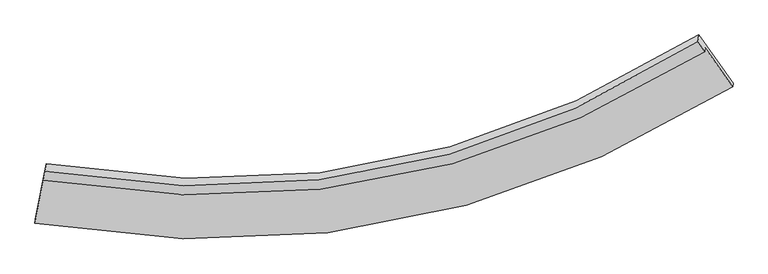
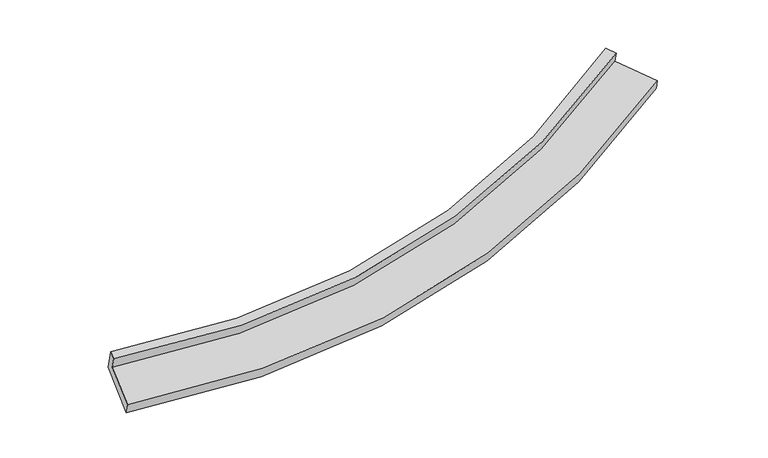
"""IFC4 building model written with IfcOpenShell, lengths in millimetres: proxy geometry."""

from ifc_helpers import new_model, si_unit, frame, origin, place, context, project, spatial, source, transform, mapped, element, save
from ifc_brep_helpers import plane_surface, spline_curve, spline_surface, advanced_brep


def generic_models_ba487847(model_context):
    return source(origin(), model_context, "Body", "AdvancedBrep", [
        advanced_brep(
        [(-4453.159429, -2099.4523553, 1821.1991534), (-4444.7079075, -2042.8525218, 1633.9967212), (4874.9528413, -236.8299308, 2611.3803924), (4867.2955853, -288.1105684, 2780.9897267), (-4428.9362317, -1972.1255984, 1860.7894303), (4771.9780887, -153.545024, 2817.3717836), (-4413.8751868, -1871.2617924, 1527.1850959), (4786.8855932, -53.7094776, 2487.1683899), (-4562.7959109, -2652.2233264, 1253.6586731), (5268.5257986, -733.6704365, 2303.3295151), (-4570.67227, -2704.9712979, 1428.1211746), (5261.2755501, -782.2253453, 2463.9235744)],
        [
            (0, 1),
            (1, 2, spline_curve(3, [(-4444.7079075, -2042.8525218, 1633.9967212), (-3108.206672508, -2282.112581306, 1629.526262219), (-1806.493227141, -2327.620548016, 1679.606785473), (1342.002604886, -1959.212178694, 1939.631402302), (3146.842742429, -1311.696681854, 2215.345435874), (4874.9528413, -236.8299308, 2611.3803924)], [4, 2, 4], [0.0, 12.842854592925782, 31.916374874476087])),
            (2, 3),
            (3, 0, spline_curve(3, [(4867.2955853, -288.1105684, 2780.9897267), (3139.492833956, -1360.9190145, 2378.146982557), (1334.681815754, -2008.239495949, 2101.787938428), (-1814.230855831, -2379.439442702, 1850.9963916), (-3116.238176154, -2335.89955781, 1807.425244505), (-4453.159429, -2099.4523553, 1821.1991534)], [4, 2, 4], [0.0, 19.073520281550305, 31.916374874476087])),
            (4, 0),
            (3, 5),
            (5, 4, spline_curve(3, [(4771.9780887, -153.545024, 2817.3717836), (3072.428836589, -1225.747216264, 2415.987882159), (1293.217559608, -1873.685491921, 2140.597787912), (-1817.298815013, -2247.967459381, 1890.60786109), (-3105.05897764, -2206.22270854, 1847.137171228), (-4428.9362317, -1972.1255984, 1860.7894303)], [4, 2, 4], [0.0, 18.961674239615306, 31.729219061079817])),
            (6, 4),
            (5, 7),
            (7, 6, spline_curve(3, [(4786.8855932, -53.7094776, 2487.1683899), (3087.724111598, -1123.314771741, 2077.19531676), (1308.687147863, -1770.085669627, 1797.94415142), (-1801.894726173, -2144.806289269, 1549.405057425), (-3089.778022463, -2103.886163234, 1508.661791241), (-4413.8751868, -1871.2617924, 1527.1850959)], [4, 2, 4], [0.0, 18.849918631341374, 31.542214573426527])),
            (8, 6),
            (7, 9),
            (9, 8, spline_curve(3, [(5268.5257986, -733.6704365, 2303.3295151), (3448.839743505, -1868.79679093, 1877.182585789), (1546.239301706, -2553.956432697, 1580.746302489), (-1776.190678305, -2947.512817794, 1301.75858205), (-3150.69747299, -2901.870805764, 1248.304584688), (-4562.7959109, -2652.2233264, 1253.6586731)], [4, 2, 4], [0.0, 19.489839153579204, 32.61301550456712])),
            (10, 8),
            (9, 11),
            (11, 10, spline_curve(3, [(5261.2755501, -782.2253453, 2463.9235744), (3441.269165705, -1919.496947843, 2044.871995654), (1538.465290258, -2606.018983901, 1752.941793113), (-1784.109495836, -3000.54513095, 1477.161537641), (-3158.621560135, -2954.938413372, 1423.824273426), (-4570.67227, -2704.9712979, 1428.1211746)], [4, 2, 4], [0.0, 20.129842096051338, 33.683954352309186])),
            (1, 10),
            (11, 2),
        ],
        [
            spline_surface(3, 3, [[(-4453.159429, -2099.4523553, 1821.1991534), (-3116.238176323, -2335.899557628, 1807.425244397), (-1814.230856012, -2379.439442907, 1850.996391504), (1334.681816023, -2008.239495645, 2101.78793857), (3139.492833771, -1360.919014734, 2378.146982541), (4867.2955853, -288.1105684, 2780.9897267)], [(-4450.342255143, -2080.585744114, 1758.79834265), (-3113.561008321, -2317.970565549, 1748.125583711), (-1811.651646375, -2362.166477921, 1793.866522841), (1337.122078949, -1991.897056675, 2047.735759763), (3141.942803331, -1344.511570442, 2323.879800371), (4869.848003966, -271.017022524, 2724.453281935)], [(-4447.525081357, -2061.719132986, 1696.39753195), (-3110.88384039, -2300.041573529, 1688.825923073), (-1809.072436728, -2344.893512958, 1736.736654214), (1339.562341885, -1975.554617729, 1993.683580992), (3144.392772893, -1328.104126177, 2269.612618196), (4872.400422634, -253.923476676, 2667.916837165)], [(-4444.7079075, -2042.8525218, 1633.9967212), (-3108.206672389, -2282.11258145, 1629.526262387), (-1806.493227091, -2327.620547972, 1679.606785552), (1342.002604811, -1959.21217876, 1939.631402185), (3146.842742453, -1311.696681885, 2215.345436027), (4874.9528413, -236.8299308, 2611.3803924)]], [4, 4], [4, 2, 4], [0.0, 0.567659339677068], [0.0, 12.842854592925782, 31.916374874476087]),
            spline_surface(3, 3, [[(-4428.9362317, -1972.1255984, 1860.7894303), (-3105.058977837, -2206.222708327, 1847.137171433), (-1817.29881483, -2247.967459254, 1890.607861236), (1293.217559336, -1873.685492109, 2140.597787695), (3072.428836497, -1225.747216356, 2415.987882309), (4771.9780887, -153.545024, 2817.3717836)], [(-4437.010630813, -2014.567850705, 1847.592671343), (-3108.785377345, -2249.448324766, 1833.899862431), (-1816.276161905, -2291.791453818, 1877.404037999), (1307.038978217, -1918.536826634, 2127.661171327), (3094.783502281, -1270.804482474, 2403.374249065), (4803.750587593, -198.400205458, 2805.244431312)], [(-4445.085029887, -2057.010102995, 1834.395912357), (-3112.511776815, -2292.673941189, 1820.6625534), (-1815.253508937, -2335.615448343, 1864.200214741), (1320.860397141, -1963.38816112, 2114.724554938), (3117.138167987, -1315.861748617, 2390.760615785), (4835.523086407, -243.255386942, 2793.117078988)], [(-4453.159429, -2099.4523553, 1821.1991534), (-3116.238176323, -2335.899557628, 1807.425244397), (-1814.230856012, -2379.439442907, 1850.996391504), (1334.681816023, -2008.239495645, 2101.78793857), (3139.492833771, -1360.919014734, 2378.146982541), (4867.2955853, -288.1105684, 2780.9897267)]], [4, 4], [4, 2, 4], [0.0, 0.46684087378298644], [0.0, 12.76754482146451, 31.729219061079817]),
            spline_surface(3, 3, [[(-4413.8751868, -1871.2617924, 1527.1850959), (-3089.778022613, -2103.886163053, 1508.661791361), (-1801.894726189, -2144.806289413, 1549.405057461), (1308.687147887, -1770.085669414, 1797.944151367), (3087.724111455, -1123.314771493, 2077.195316555), (4786.8855932, -53.7094776, 2487.1683899)], [(-4418.895535083, -1904.883061052, 1638.386540698), (-3094.871674337, -2137.998344797, 1621.48691805), (-1807.029422394, -2179.193346012, 1663.139325365), (1303.530618379, -1804.618943632, 1912.162030123), (3082.625686464, -1157.458919799, 2190.126171789), (4781.916425028, -86.987993085, 2597.236187783)], [(-4423.915883417, -1938.504329748, 1749.587985502), (-3099.965326112, -2172.110526583, 1734.312044745), (-1812.164118625, -2213.580402655, 1776.873593331), (1298.374088845, -1839.152217892, 2026.37990894), (3077.527261488, -1191.603068051, 2303.057027075), (4776.947256872, -120.266508515, 2707.303985717)], [(-4428.9362317, -1972.1255984, 1860.7894303), (-3105.058977837, -2206.222708327, 1847.137171433), (-1817.29881483, -2247.967459254, 1890.607861236), (1293.217559336, -1873.685492109, 2140.597787695), (3072.428836497, -1225.747216356, 2415.987882309), (4771.9780887, -153.545024, 2817.3717836)]], [4, 4], [4, 2, 4], [0.0, 1.1727319531963398], [0.0, 12.692295942085153, 31.542214573426527]),
            spline_surface(3, 3, [[(-4562.7959109, -2652.2233264, 1253.6586731), (-3150.697472786, -2901.87080578, 1248.304584746), (-1776.190678308, -2947.512817638, 1301.75858211), (1546.23930171, -2553.956432928, 1580.7463024), (3448.839743732, -1868.796791132, 1877.182585707), (5268.5257986, -733.6704365, 2303.3295151)], [(-4513.155669559, -2391.90281507, 1344.83414736), (-3130.39098942, -2635.875924874, 1335.090320277), (-1784.758694267, -2679.943974916, 1384.307407252), (1467.055250438, -2292.666178443, 1653.145585414), (3328.467866285, -1620.302784585, 1943.853496008), (5107.979063445, -507.016783532, 2364.609140052)], [(-4463.515428141, -2131.58230373, 1436.00962164), (-3110.084505978, -2369.881043958, 1421.87605583), (-1793.32671023, -2412.375132135, 1466.856232319), (1387.87119916, -2031.3759239, 1725.544868353), (3208.095988903, -1371.80877804, 2010.524406254), (4947.432328355, -280.363130568, 2425.888764948)], [(-4413.8751868, -1871.2617924, 1527.1850959), (-3089.778022613, -2103.886163053, 1508.661791361), (-1801.894726189, -2144.806289413, 1549.405057461), (1308.687147887, -1770.085669414, 1797.944151367), (3087.724111455, -1123.314771493, 2077.195316555), (4786.8855932, -53.7094776, 2487.1683899)]], [4, 4], [4, 2, 4], [0.0, 2.7473591179350088], [0.0, 13.123176350987919, 32.61301550456712]),
            spline_surface(3, 3, [[(-4570.67227, -2704.9712979, 1428.1211746), (-3158.621560121, -2954.938413237, 1423.824273606), (-1784.109495637, -3000.54513116, 1477.161537581), (1538.465289962, -2606.018983589, 1752.941793202), (3441.269165472, -1919.496948098, 2044.871995807), (5261.2755501, -782.2253453, 2463.9235744)], [(-4568.046816942, -2687.388640756, 1369.967007427), (-3155.980197651, -2937.249210774, 1365.317710646), (-1781.469889865, -2982.867693308, 1418.693885757), (1541.056627207, -2588.664800025, 1695.543296267), (3443.792691564, -1902.596895767, 1988.975525755), (5263.692299605, -766.040375691, 2410.392221282)], [(-4565.421363958, -2669.805983544, 1311.812840273), (-3153.338835256, -2919.560008242, 1306.811147706), (-1778.830284079, -2965.19025549, 1360.226233935), (1543.647964466, -2571.310616493, 1638.144799335), (3446.31621764, -1885.696843463, 1933.079055759), (5266.109049095, -749.855406109, 2356.860868218)], [(-4562.7959109, -2652.2233264, 1253.6586731), (-3150.697472786, -2901.87080578, 1248.304584746), (-1776.190678308, -2947.512817638, 1301.75858211), (1546.23930171, -2553.956432928, 1580.7463024), (3448.839743732, -1868.796791132, 1877.182585707), (5268.5257986, -733.6704365, 2303.3295151)]], [4, 4], [4, 2, 4], [0.0, 0.5933966010563059], [0.0, 13.554112256257849, 33.683954352309186]),
            spline_surface(3, 3, [[(-4444.7079075, -2042.8525218, 1633.9967212), (-3108.206672389, -2282.11258145, 1629.526262387), (-1806.493227091, -2327.620547972, 1679.606785552), (1342.002604811, -1959.21217876, 1939.631402185), (3146.842742453, -1311.696681885, 2215.345436027), (4874.9528413, -236.8299308, 2611.3803924)], [(-4486.69602836, -2263.558780502, 1565.371539023), (-3125.011634993, -2506.387858714, 1560.958932816), (-1799.03198326, -2551.928742369, 1612.125036229), (1407.490166541, -2174.814447037, 1877.401532525), (3244.984883455, -1514.296770632, 2158.520955957), (5003.727077562, -418.628402309, 2562.228119736)], [(-4528.68414914, -2484.265039198, 1496.746356777), (-3141.816597517, -2730.663135972, 1492.391603176), (-1791.570739468, -2776.236936763, 1544.643286904), (1472.977728232, -2390.416715312, 1815.171662862), (3343.12702447, -1716.896859351, 2101.696475878), (5132.501313838, -600.426873791, 2513.075847064)], [(-4570.67227, -2704.9712979, 1428.1211746), (-3158.621560121, -2954.938413237, 1423.824273606), (-1784.109495637, -3000.54513116, 1477.161537581), (1538.465289962, -2606.018983589, 1752.941793202), (3441.269165472, -1919.496948098, 2044.871995807), (5261.2755501, -782.2253453, 2463.9235744)]], [4, 4], [4, 2, 4], [0.0, 2.280498582510533], [0.0, 13.198495648349875, 32.80019499122194]),
            plane_surface(frame((4971.8189095, -374.6817971, 2577.3605637), z_axis=(0.824341430408192, 0.53048397120625, 0.19760557281064345), x_axis=(-0.564444150789418, 0.7968603568879211, 0.21544459208823902))),
            plane_surface(frame((-4479.0244893, -2223.814482, 1587.4917081), z_axis=(-0.9829486736195435, 0.18354377316842546, 0.011117030209439702), x_axis=(-0.04317414448705064, -0.2891372129520925, 0.95631358106748))),
        ],
        [
            (0, [[1, 2, 3, 4]]),
            (1, [[5, -4, 6, 7]]),
            (2, [[8, -7, 9, 10]]),
            (3, [[11, -10, 12, 13]]),
            (4, [[14, -13, 15, 16]]),
            (5, [[17, -16, 18, -2]]),
            (6, [[-12, -9, -6, -3, -18, -15]]),
            (7, [[-1, -5, -8, -11, -14, -17]]),
        ],
    ),
    ])


if __name__ == "__main__":
    model = new_model("IFC4")
    model_context = context("Model", 3, world=origin())
    ifc_project = project(units=[si_unit("LENGTHUNIT", "METRE", prefix="MILLI")], contexts=[model_context])
    site = spatial("IfcSite", under=ifc_project)
    building = spatial("IfcBuilding", under=site)
    placement = place(None, origin())
    generic_models_shape = generic_models_ba487847(model_context)
    element("IfcBuildingElementProxy", 1, Name="Generic Models", at=placement, inside=building, context=model_context, shape_type="MappedRepresentation", body=[
        mapped(generic_models_shape, transform((0.0, 0.0, 0.0), x_axis=(1.0, 0.0, 0.0), y_axis=(0.0, 1.0, 0.0), z_axis=(0.0, 0.0, 1.0))),
    ])
    save(model, "model.ifc")
